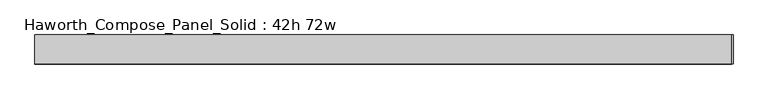
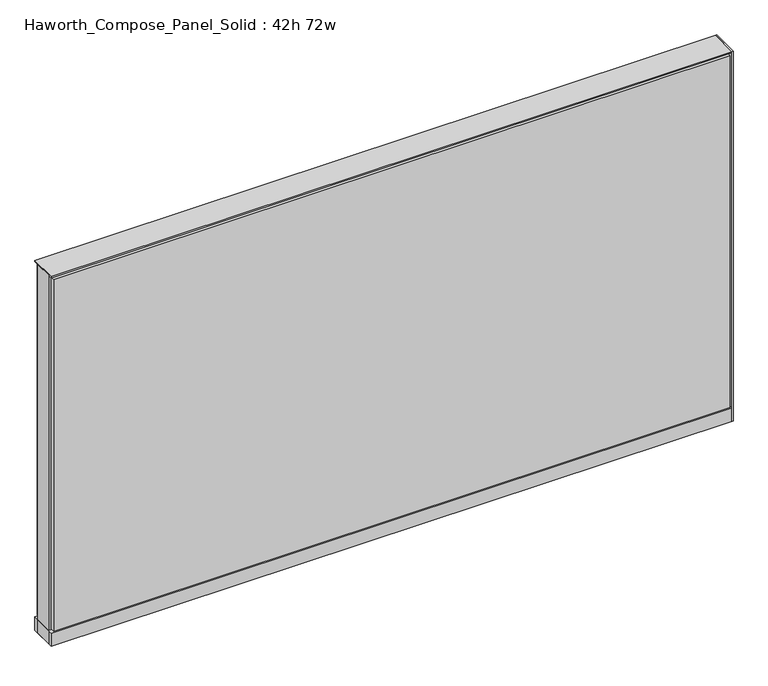
"""IFC4 building model written with IfcOpenShell, lengths in millimetres: furniture geometry, Haworth_Compose_Panel_Solid : 42h 72w."""

from ifc_helpers import new_model, si_unit, point, frame, frame_2d, origin, origin_with_axes, place, context, project, spatial, polyline, circle_curve, trimmed, segment, composite_curve, outline, extrude, source, transform, mapped, element, save


def haworth_compose_panel_solid_42h_72w_bf4fbd8c(model_context):
    return source(origin(), model_context, "Body", "SweptSolid", [
        extrude(outline(composite_curve([segment(trimmed(circle_curve(frame_2d((-835.7597098, 0.0)), 12.7), [point((-848.4597098, 0.0))], [point((-823.0597098, 0.0))], False, "CARTESIAN"), True, "CONTINUOUS"), segment(trimmed(circle_curve(frame_2d((-835.7597098, 0.0)), 12.7), [point((-823.0597098, 0.0))], [point((-848.4597098, 0.0))], False, "CARTESIAN"), True, "CONTINUOUS")], self_intersect=False)), origin_with_axes(), (0.0, 0.0, 1.0), 12.7),
        extrude(outline(composite_curve([segment(trimmed(circle_curve(frame_2d((840.6402902, 0.0)), 12.7), [point((827.9402902, 0.0))], [point((853.3402902, 0.0))], False, "CARTESIAN"), True, "CONTINUOUS"), segment(trimmed(circle_curve(frame_2d((840.6402902, 0.0)), 12.7), [point((853.3402902, 0.0))], [point((827.9402902, 0.0))], False, "CARTESIAN"), True, "CONTINUOUS")], self_intersect=False)), origin_with_axes(), (0.0, 0.0, 1.0), 12.7),
        extrude(outline(polyline([(920.0152902, 38.1), (920.0152902, -38.1), (916.8402902, -38.1), (916.8402902, 38.1), (920.0152902, 38.1)])), frame((0.0, 0.0, 12.7), z_axis=(0.0, 0.0, 1.0), x_axis=(1.0, 0.0, 0.0)), (0.0, 0.0, 1.0), 1050.925),
        extrude(outline(polyline([(910.4902902, 38.1), (910.4902902, 25.4), (-905.6097098, 25.4), (-905.6097098, 38.1), (910.4902902, 38.1)])), frame((0.0, 0.0, 53.975), z_axis=(0.0, 0.0, 1.0), x_axis=(1.0, 0.0, 0.0)), (0.0, 0.0, 1.0), 1000.125),
        extrude(outline(polyline([(910.4902902, -38.1), (-905.6097098, -38.1), (-905.6097098, -25.4), (910.4902902, -25.4), (910.4902902, -38.1)])), frame((0.0, 0.0, 53.975), z_axis=(0.0, 0.0, 1.0), x_axis=(1.0, 0.0, 0.0)), (0.0, 0.0, 1.0), 1000.125),
        extrude(outline(polyline([(916.8402902, 25.4), (916.8402902, -25.4), (-911.9597098, -25.4), (-911.9597098, 25.4), (916.8402902, 25.4)])), frame((0.0, 0.0, 12.7), z_axis=(0.0, 0.0, 1.0), x_axis=(1.0, 0.0, 0.0)), (0.0, 0.0, 1.0), 1047.75),
        extrude(outline(polyline([(-911.9597098, -38.1), (-911.9597098, 38.1), (916.8402902, 38.1), (916.8402902, -38.1), (-911.9597098, -38.1)])), frame((0.0, 0.0, 12.7), z_axis=(0.0, 0.0, 1.0), x_axis=(1.0, 0.0, 0.0)), (0.0, 0.0, 1.0), 38.1),
        extrude(outline(polyline([(-911.9597098, -38.1), (-911.9597098, 38.1), (916.8402902, 38.1), (916.8402902, -38.1), (-911.9597098, -38.1)])), frame((0.0, 0.0, 1060.45), z_axis=(0.0, 0.0, 1.0), x_axis=(1.0, 0.0, 0.0)), (0.0, 0.0, 1.0), 3.175),
    ])


if __name__ == "__main__":
    model = new_model("IFC4")
    model_context = context("Model", 3, world=origin())
    ifc_project = project(units=[si_unit("LENGTHUNIT", "METRE", prefix="MILLI")], contexts=[model_context])
    site = spatial("IfcSite", under=ifc_project)
    building = spatial("IfcBuilding", under=site)
    placement = place(None, origin())
    haworth_compose_panel_solid_42h_72w_shape = haworth_compose_panel_solid_42h_72w_bf4fbd8c(model_context)
    element("IfcFurniture", 1, ObjectType="Haworth_Compose_Panel_Solid : 42h 72w", at=placement, inside=building, context=model_context, shape_type="MappedRepresentation", body=[
        mapped(haworth_compose_panel_solid_42h_72w_shape, transform((0.0, 0.0, 0.0), x_axis=(1.0, 0.0, 0.0), y_axis=(0.0, 1.0, 0.0), z_axis=(0.0, 0.0, 1.0))),
    ])
    save(model, "model.ifc")
